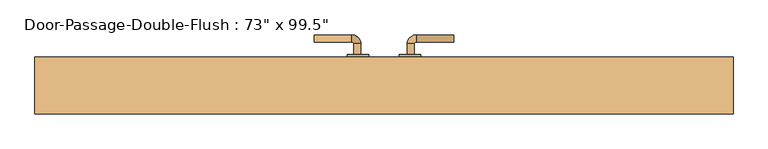
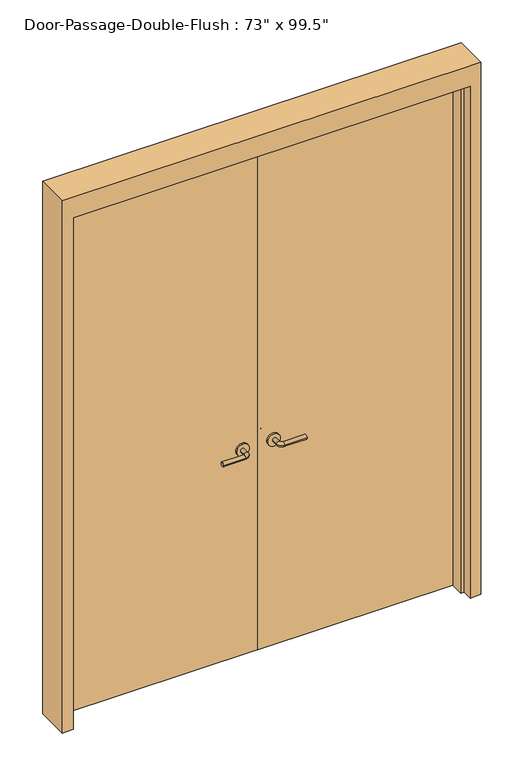
"""IFC4 building model written with IfcOpenShell, lengths in millimetres: door geometry."""

from ifc_helpers import new_model, si_unit, point, frame, frame_2d, origin, origin_with_axes, place, context, project, spatial, polyline, circle_curve, ellipse_curve, trimmed, segment, composite_curve, outline, extrude, faceted_brep, source, transform, mapped, element, save
from ifc_brep_helpers import plane_surface, cylinder_surface, revolved_surface, advanced_brep


def door_142c67b7(model_context):
    return source(origin(), model_context, "Body", "SolidModel", [
        advanced_brep(
        [(-65.009375, -77.85, 1016.0), (-85.009375, -77.85, 1016.0), (-65.009375, -107.85, 1016.0), (-85.009375, -107.85, 1016.0), (-90.009375, -112.85, 1016.0), (-90.009375, -132.85, 1016.0), (-195.009375, -132.85, 1016.0), (-195.009375, -112.85, 1016.0)],
        [
            (0, 1, circle_curve(frame((-75.009375, -77.85, 1016.0), z_axis=(0.0, 1.0, 0.0), x_axis=(-1.0, 0.0, 0.0)), 10.0)),
            (1, 0, circle_curve(frame((-75.009375, -77.85, 1016.0), z_axis=(0.0, 1.0, 0.0), x_axis=(-1.0, 0.0, 0.0)), 10.0)),
            (0, 2),
            (2, 3, circle_curve(frame((-75.009375, -107.85, 1016.0), z_axis=(0.0, 1.0, 0.0), x_axis=(-1.0, 0.0, 0.0)), 10.0)),
            (3, 1),
            (3, 2, circle_curve(frame((-75.009375, -107.85, 1016.0), z_axis=(0.0, 1.0, 0.0), x_axis=(-1.0, 0.0, 0.0)), 10.0)),
            (4, 3, circle_curve(frame((-90.009375, -107.85, 1016.0), z_axis=(0.0, 0.0, 1.0), x_axis=(1.0, 0.0, 0.0)), 5.0)),
            (2, 5, circle_curve(frame((-90.009375, -107.85, 1016.0), z_axis=(0.0, 0.0, -1.0), x_axis=(1.0, 0.0, 0.0)), 25.0)),
            (5, 4, circle_curve(frame((-90.009375, -122.85, 1016.0), z_axis=(1.0, 0.0, 0.0), x_axis=(0.0, 1.0, 0.0)), 10.0)),
            (4, 5, circle_curve(frame((-90.009375, -122.85, 1016.0), z_axis=(1.0, 0.0, 0.0), x_axis=(0.0, 1.0, 0.0)), 10.0)),
            (6, 7, circle_curve(frame((-195.009375, -122.85, 1016.0), z_axis=(-1.0, 0.0, 0.0), x_axis=(0.0, 1.0, 0.0)), 10.0)),
            (7, 6, circle_curve(frame((-195.009375, -122.85, 1016.0), z_axis=(-1.0, 0.0, 0.0), x_axis=(0.0, 1.0, 0.0)), 10.0)),
            (5, 6),
            (7, 4),
        ],
        [
            plane_surface(frame((-75.009375, -77.85, 1016.0), z_axis=(0.0, 1.0, 0.0), x_axis=(0.0, 0.0, 1.0))),
            cylinder_surface(frame((-75.009375, -77.85, 1016.0), z_axis=(0.0, 1.0, 0.0), x_axis=(-1.0, 0.0, 0.0)), 10.0),
            revolved_surface(trimmed(ellipse_curve(frame((-75.009375, -107.85, 1016.0), z_axis=(0.0, 1.0, 0.0), x_axis=(-1.0, 0.0, 0.0)), 10.0, 10.0), [point((-65.009375, -107.85, 1016.0))], [point((-85.009375, -107.85, 1016.0))], True, "CARTESIAN"), (-90.009375, -107.85, 1016.0), (0.0, 0.0, -1.0)),
            revolved_surface(trimmed(ellipse_curve(frame((-75.009375, -107.85, 1016.0), z_axis=(0.0, 1.0, 0.0), x_axis=(-1.0, 0.0, 0.0)), 10.0, 10.0), [point((-85.009375, -107.85, 1016.0))], [point((-65.009375, -107.85, 1016.0))], True, "CARTESIAN"), (-90.009375, -107.85, 1016.0), (0.0, 0.0, -1.0)),
            plane_surface(frame((-195.009375, -122.85, 1016.0), z_axis=(-1.0, 0.0, 0.0), x_axis=(0.0, 0.0, 1.0))),
            cylinder_surface(frame((-90.009375, -122.85, 1016.0), z_axis=(1.0, 0.0, 0.0), x_axis=(0.0, 1.0, 0.0)), 10.0),
        ],
        [
            (0, [[1, 2]]),
            (1, [[-1, 3, 4, 5]]),
            (1, [[-2, -5, 6, -3]]),
            (2, [[7, -4, 8, 9]]),
            (3, [[-8, -6, -7, 10]]),
            (4, [[11, 12]]),
            (5, [[-9, 13, -12, 14]]),
            (5, [[-10, -14, -11, -13]]),
        ],
    ),
        extrude(outline(composite_curve([segment(trimmed(circle_curve(frame_2d((1016.0, -72.509375)), 30.0), [point((1016.0, -42.509375))], [point((1016.0, -102.509375))], False, "CARTESIAN"), True, "CONTINUOUS"), segment(trimmed(circle_curve(frame_2d((1016.0, -72.509375)), 30.0), [point((1016.0, -102.509375))], [point((1016.0, -42.509375))], False, "CARTESIAN"), True, "CONTINUOUS")], self_intersect=False)), frame((0.0, -77.85, 0.0), z_axis=(0.0, 1.0, 0.0), x_axis=(0.0, 0.0, 1.0)), (0.0, 0.0, 1.0), 8.0),
        advanced_brep(
        [(-65.009375, -17.4, 1016.0), (-85.009375, -17.4, 1016.0), (-85.009375, 12.6, 1016.0), (-65.009375, 12.6, 1016.0), (-90.009375, 17.6, 1016.0), (-90.009375, 37.6, 1016.0), (-195.009375, 37.6, 1016.0), (-195.009375, 17.6, 1016.0)],
        [
            (0, 1, circle_curve(frame((-75.009375, -17.4, 1016.0), z_axis=(0.0, -1.0, 0.0), x_axis=(-1.0, 0.0, 0.0)), 10.0)),
            (1, 0, circle_curve(frame((-75.009375, -17.4, 1016.0), z_axis=(0.0, -1.0, 0.0), x_axis=(-1.0, 0.0, 0.0)), 10.0)),
            (1, 2),
            (2, 3, circle_curve(frame((-75.009375, 12.6, 1016.0), z_axis=(0.0, -1.0, 0.0), x_axis=(-1.0, 0.0, 0.0)), 10.0)),
            (3, 0),
            (3, 2, circle_curve(frame((-75.009375, 12.6, 1016.0), z_axis=(0.0, -1.0, 0.0), x_axis=(-1.0, 0.0, 0.0)), 10.0)),
            (4, 5, circle_curve(frame((-90.009375, 27.6, 1016.0), z_axis=(1.0, 0.0, 0.0), x_axis=(0.0, -1.0, 0.0)), 10.0)),
            (5, 3, circle_curve(frame((-90.009375, 12.6, 1016.0), z_axis=(0.0, 0.0, -1.0), x_axis=(1.0, 0.0, 0.0)), 25.0)),
            (2, 4, circle_curve(frame((-90.009375, 12.6, 1016.0), z_axis=(0.0, 0.0, 1.0), x_axis=(1.0, 0.0, 0.0)), 5.0)),
            (5, 4, circle_curve(frame((-90.009375, 27.6, 1016.0), z_axis=(1.0, 0.0, 0.0), x_axis=(0.0, -1.0, 0.0)), 10.0)),
            (6, 7, circle_curve(frame((-195.009375, 27.6, 1016.0), z_axis=(-1.0, 0.0, 0.0), x_axis=(0.0, -1.0, 0.0)), 10.0)),
            (7, 6, circle_curve(frame((-195.009375, 27.6, 1016.0), z_axis=(-1.0, 0.0, 0.0), x_axis=(0.0, -1.0, 0.0)), 10.0)),
            (4, 7),
            (6, 5),
        ],
        [
            plane_surface(frame((-75.009375, -17.4, 1016.0), z_axis=(0.0, -1.0, 0.0), x_axis=(0.0, 0.0, 1.0))),
            cylinder_surface(frame((-75.009375, -17.4, 1016.0), z_axis=(0.0, -1.0, 0.0), x_axis=(-1.0, 0.0, 0.0)), 10.0),
            revolved_surface(trimmed(ellipse_curve(frame((-75.009375, 12.6, 1016.0), z_axis=(0.0, 1.0, 0.0), x_axis=(-1.0, 0.0, 0.0)), 10.0, 10.0), [point((-65.009375, 12.6, 1016.0))], [point((-85.009375, 12.6, 1016.0))], True, "CARTESIAN"), (-90.009375, 12.6, 1016.0), (0.0, 0.0, -1.0)),
            revolved_surface(trimmed(ellipse_curve(frame((-75.009375, 12.6, 1016.0), z_axis=(0.0, 1.0, 0.0), x_axis=(-1.0, 0.0, 0.0)), 10.0, 10.0), [point((-85.009375, 12.6, 1016.0))], [point((-65.009375, 12.6, 1016.0))], True, "CARTESIAN"), (-90.009375, 12.6, 1016.0), (0.0, 0.0, -1.0)),
            plane_surface(frame((-195.009375, 27.6, 1016.0), z_axis=(-1.0, 0.0, 0.0), x_axis=(0.0, 0.0, 1.0))),
            cylinder_surface(frame((-90.009375, 27.6, 1016.0), z_axis=(1.0, 0.0, 0.0), x_axis=(0.0, -1.0, 0.0)), 10.0),
        ],
        [
            (0, [[1, 2]]),
            (1, [[3, 4, 5, -2]]),
            (1, [[-5, 6, -3, -1]]),
            (2, [[7, 8, -4, 9]]),
            (3, [[10, -9, -6, -8]]),
            (4, [[11, 12]]),
            (5, [[13, -11, 14, -7]]),
            (5, [[-14, -12, -13, -10]]),
        ],
    ),
        extrude(outline(composite_curve([segment(trimmed(circle_curve(frame_2d((1016.0, -72.509375)), 30.0), [point((1016.0, -42.509375))], [point((1016.0, -102.509375))], False, "CARTESIAN"), True, "CONTINUOUS"), segment(trimmed(circle_curve(frame_2d((1016.0, -72.509375)), 30.0), [point((1016.0, -102.509375))], [point((1016.0, -42.509375))], False, "CARTESIAN"), True, "CONTINUOUS")], self_intersect=False)), frame((0.0, -25.4, 0.0), z_axis=(0.0, 1.0, 0.0), x_axis=(0.0, 0.0, 1.0)), (0.0, 0.0, 1.0), 8.0),
        advanced_brep(
        [(65.009375, -77.85, 1016.0), (85.009375, -77.85, 1016.0), (85.009375, -107.85, 1016.0), (65.009375, -107.85, 1016.0), (90.009375, -112.85, 1016.0), (90.009375, -132.85, 1016.0), (195.009375, -132.85, 1016.0), (195.009375, -112.85, 1016.0)],
        [
            (0, 1, circle_curve(frame((75.009375, -77.85, 1016.0), z_axis=(0.0, 1.0, 0.0), x_axis=(1.0, 0.0, 0.0)), 10.0)),
            (1, 0, circle_curve(frame((75.009375, -77.85, 1016.0), z_axis=(0.0, 1.0, 0.0), x_axis=(1.0, 0.0, 0.0)), 10.0)),
            (1, 2),
            (2, 3, circle_curve(frame((75.009375, -107.85, 1016.0), z_axis=(0.0, 1.0, 0.0), x_axis=(1.0, 0.0, 0.0)), 10.0)),
            (3, 0),
            (3, 2, circle_curve(frame((75.009375, -107.85, 1016.0), z_axis=(0.0, 1.0, 0.0), x_axis=(1.0, 0.0, 0.0)), 10.0)),
            (4, 5, circle_curve(frame((90.009375, -122.85, 1016.0), z_axis=(-1.0, 0.0, 0.0), x_axis=(0.0, 1.0, 0.0)), 10.0)),
            (5, 3, circle_curve(frame((90.009375, -107.85, 1016.0), z_axis=(0.0, 0.0, -1.0), x_axis=(-1.0, 0.0, 0.0)), 25.0)),
            (2, 4, circle_curve(frame((90.009375, -107.85, 1016.0), z_axis=(0.0, 0.0, 1.0), x_axis=(-1.0, 0.0, 0.0)), 5.0)),
            (5, 4, circle_curve(frame((90.009375, -122.85, 1016.0), z_axis=(-1.0, 0.0, 0.0), x_axis=(0.0, 1.0, 0.0)), 10.0)),
            (6, 7, circle_curve(frame((195.009375, -122.85, 1016.0), z_axis=(1.0, 0.0, 0.0), x_axis=(0.0, 1.0, 0.0)), 10.0)),
            (7, 6, circle_curve(frame((195.009375, -122.85, 1016.0), z_axis=(1.0, 0.0, 0.0), x_axis=(0.0, 1.0, 0.0)), 10.0)),
            (4, 7),
            (6, 5),
        ],
        [
            plane_surface(frame((75.009375, -77.85, 1016.0), z_axis=(0.0, 1.0, 0.0), x_axis=(0.0, 0.0, 1.0))),
            cylinder_surface(frame((75.009375, -77.85, 1016.0), z_axis=(0.0, 1.0, 0.0), x_axis=(1.0, 0.0, 0.0)), 10.0),
            revolved_surface(trimmed(ellipse_curve(frame((75.009375, -107.85, 1016.0), z_axis=(0.0, -1.0, 0.0), x_axis=(1.0, 0.0, 0.0)), 10.0, 10.0), [point((65.009375, -107.85, 1016.0))], [point((85.009375, -107.85, 1016.0))], True, "CARTESIAN"), (90.009375, -107.85, 1016.0), (0.0, 0.0, -1.0)),
            revolved_surface(trimmed(ellipse_curve(frame((75.009375, -107.85, 1016.0), z_axis=(0.0, -1.0, 0.0), x_axis=(1.0, 0.0, 0.0)), 10.0, 10.0), [point((85.009375, -107.85, 1016.0))], [point((65.009375, -107.85, 1016.0))], True, "CARTESIAN"), (90.009375, -107.85, 1016.0), (0.0, 0.0, -1.0)),
            plane_surface(frame((195.009375, -122.85, 1016.0), z_axis=(1.0, 0.0, 0.0), x_axis=(0.0, 0.0, 1.0))),
            cylinder_surface(frame((90.009375, -122.85, 1016.0), z_axis=(-1.0, 0.0, 0.0), x_axis=(0.0, 1.0, 0.0)), 10.0),
        ],
        [
            (0, [[1, 2]]),
            (1, [[3, 4, 5, -2]]),
            (1, [[-5, 6, -3, -1]]),
            (2, [[7, 8, -4, 9]]),
            (3, [[10, -9, -6, -8]]),
            (4, [[11, 12]]),
            (5, [[13, -11, 14, -7]]),
            (5, [[-14, -12, -13, -10]]),
        ],
    ),
        extrude(outline(composite_curve([segment(trimmed(circle_curve(frame_2d((1016.0, 72.509375)), 30.0), [point((1016.0, 42.509375))], [point((1016.0, 102.509375))], False, "CARTESIAN"), True, "CONTINUOUS"), segment(trimmed(circle_curve(frame_2d((1016.0, 72.509375)), 30.0), [point((1016.0, 102.509375))], [point((1016.0, 42.509375))], False, "CARTESIAN"), True, "CONTINUOUS")], self_intersect=False)), frame((0.0, -77.85, 0.0), z_axis=(0.0, 1.0, 0.0), x_axis=(0.0, 0.0, 1.0)), (0.0, 0.0, 1.0), 8.0),
        advanced_brep(
        [(65.009375, -17.4, 1016.0), (85.009375, -17.4, 1016.0), (65.009375, 12.6, 1016.0), (85.009375, 12.6, 1016.0), (90.009375, 17.6, 1016.0), (90.009375, 37.6, 1016.0), (195.009375, 37.6, 1016.0), (195.009375, 17.6, 1016.0)],
        [
            (0, 1, circle_curve(frame((75.009375, -17.4, 1016.0), z_axis=(0.0, -1.0, 0.0), x_axis=(1.0, 0.0, 0.0)), 10.0)),
            (1, 0, circle_curve(frame((75.009375, -17.4, 1016.0), z_axis=(0.0, -1.0, 0.0), x_axis=(1.0, 0.0, 0.0)), 10.0)),
            (0, 2),
            (2, 3, circle_curve(frame((75.009375, 12.6, 1016.0), z_axis=(0.0, -1.0, 0.0), x_axis=(1.0, 0.0, 0.0)), 10.0)),
            (3, 1),
            (3, 2, circle_curve(frame((75.009375, 12.6, 1016.0), z_axis=(0.0, -1.0, 0.0), x_axis=(1.0, 0.0, 0.0)), 10.0)),
            (4, 3, circle_curve(frame((90.009375, 12.6, 1016.0), z_axis=(0.0, 0.0, 1.0), x_axis=(-1.0, 0.0, 0.0)), 5.0)),
            (2, 5, circle_curve(frame((90.009375, 12.6, 1016.0), z_axis=(0.0, 0.0, -1.0), x_axis=(-1.0, 0.0, 0.0)), 25.0)),
            (5, 4, circle_curve(frame((90.009375, 27.6, 1016.0), z_axis=(-1.0, 0.0, 0.0), x_axis=(0.0, -1.0, 0.0)), 10.0)),
            (4, 5, circle_curve(frame((90.009375, 27.6, 1016.0), z_axis=(-1.0, 0.0, 0.0), x_axis=(0.0, -1.0, 0.0)), 10.0)),
            (6, 7, circle_curve(frame((195.009375, 27.6, 1016.0), z_axis=(1.0, 0.0, 0.0), x_axis=(0.0, -1.0, 0.0)), 10.0)),
            (7, 6, circle_curve(frame((195.009375, 27.6, 1016.0), z_axis=(1.0, 0.0, 0.0), x_axis=(0.0, -1.0, 0.0)), 10.0)),
            (5, 6),
            (7, 4),
        ],
        [
            plane_surface(frame((75.009375, -17.4, 1016.0), z_axis=(0.0, -1.0, 0.0), x_axis=(0.0, 0.0, 1.0))),
            cylinder_surface(frame((75.009375, -17.4, 1016.0), z_axis=(0.0, -1.0, 0.0), x_axis=(1.0, 0.0, 0.0)), 10.0),
            revolved_surface(trimmed(ellipse_curve(frame((75.009375, 12.6, 1016.0), z_axis=(0.0, -1.0, 0.0), x_axis=(1.0, 0.0, 0.0)), 10.0, 10.0), [point((65.009375, 12.6, 1016.0))], [point((85.009375, 12.6, 1016.0))], True, "CARTESIAN"), (90.009375, 12.6, 1016.0), (0.0, 0.0, -1.0)),
            revolved_surface(trimmed(ellipse_curve(frame((75.009375, 12.6, 1016.0), z_axis=(0.0, -1.0, 0.0), x_axis=(1.0, 0.0, 0.0)), 10.0, 10.0), [point((85.009375, 12.6, 1016.0))], [point((65.009375, 12.6, 1016.0))], True, "CARTESIAN"), (90.009375, 12.6, 1016.0), (0.0, 0.0, -1.0)),
            plane_surface(frame((195.009375, 27.6, 1016.0), z_axis=(1.0, 0.0, 0.0), x_axis=(0.0, 0.0, 1.0))),
            cylinder_surface(frame((90.009375, 27.6, 1016.0), z_axis=(-1.0, 0.0, 0.0), x_axis=(0.0, -1.0, 0.0)), 10.0),
        ],
        [
            (0, [[1, 2]]),
            (1, [[-1, 3, 4, 5]]),
            (1, [[-2, -5, 6, -3]]),
            (2, [[7, -4, 8, 9]]),
            (3, [[-8, -6, -7, 10]]),
            (4, [[11, 12]]),
            (5, [[-9, 13, -12, 14]]),
            (5, [[-10, -14, -11, -13]]),
        ],
    ),
        extrude(outline(composite_curve([segment(trimmed(circle_curve(frame_2d((1016.0, 72.509375)), 30.0), [point((1016.0, 42.509375))], [point((1016.0, 102.509375))], False, "CARTESIAN"), True, "CONTINUOUS"), segment(trimmed(circle_curve(frame_2d((1016.0, 72.509375)), 30.0), [point((1016.0, 102.509375))], [point((1016.0, 42.509375))], False, "CARTESIAN"), True, "CONTINUOUS")], self_intersect=False)), frame((0.0, -25.4, 0.0), z_axis=(0.0, 1.0, 0.0), x_axis=(0.0, 0.0, 1.0)), (0.0, 0.0, 1.0), 8.0),
        faceted_brep([(927.1, -74.6125, 0.0), (927.1, -25.4, 0.0), (977.9, -25.4, 0.0), (977.9, -184.15, 0.0), (927.1, -184.15, 0.0), (927.1, -134.9375, 0.0), (911.225, -134.9375, 0.0), (911.225, -74.6125, 0.0), (927.1, -74.6125, 2527.3), (927.1, -25.4, 2527.3), (-927.1, -25.4, 2527.3), (-927.1, -25.4, 0.0), (-977.9, -25.4, 0.0), (-977.9, -25.4, 2628.9), (977.9, -25.4, 2628.9), (977.9, -184.15, 2628.9), (-977.9, -184.15, 2628.9), (-977.9, -184.15, 0.0), (-927.1, -184.15, 0.0), (-927.1, -184.15, 2527.3), (927.1, -184.15, 2527.3), (927.1, -134.9375, 2527.3), (-927.1, -134.9375, 2527.3), (-927.1, -134.9375, 0.0), (-911.225, -134.9375, 0.0), (-911.225, -134.9375, 2511.425), (911.225, -134.9375, 2511.425), (911.225, -74.6125, 2511.425), (-911.225, -74.6125, 2511.425), (-911.225, -74.6125, 0.0), (-927.1, -74.6125, 0.0), (-927.1, -74.6125, 2527.3)], [[[0, 1, 2, 3, 4, 5, 6, 7]], [[1, 0, 8, 9]], [[2, 1, 9, 10, 11, 12, 13, 14]], [[3, 2, 14, 15]], [[4, 3, 15, 16, 17, 18, 19, 20]], [[5, 4, 20, 21]], [[6, 5, 21, 22, 23, 24, 25, 26]], [[7, 6, 26, 27]], [[0, 7, 27, 28, 29, 30, 31, 8]], [[9, 8, 31, 10]], [[20, 19, 22, 21]], [[26, 25, 28, 27]], [[12, 11, 30, 29, 24, 23, 18, 17]], [[11, 10, 31, 30]], [[13, 12, 17, 16]], [[19, 18, 23, 22]], [[25, 24, 29, 28]], [[15, 14, 13, 16]]]),
        extrude(outline(polyline([(927.1, -69.85), (1.5875, -69.85), (1.5875, -25.4), (927.1, -25.4), (927.1, -69.85)])), origin_with_axes(), (0.0, 0.0, 1.0), 2527.3),
        extrude(outline(polyline([(-1.5875, -69.85), (-927.1, -69.85), (-927.1, -25.4), (-1.5875, -25.4), (-1.5875, -69.85)])), origin_with_axes(), (0.0, 0.0, 1.0), 2527.3),
    ])


if __name__ == "__main__":
    model = new_model("IFC4")
    model_context = context("Model", 3, world=origin())
    ifc_project = project(units=[si_unit("LENGTHUNIT", "METRE", prefix="MILLI")], contexts=[model_context])
    site = spatial("IfcSite", under=ifc_project)
    building = spatial("IfcBuilding", under=site)
    placement = place(None, origin())
    door_shape = door_142c67b7(model_context)
    element("IfcDoor", 1, ObjectType="Door-Passage-Double-Flush : 73\" x 99.5\"", at=placement, inside=building, context=model_context, shape_type="MappedRepresentation", body=[
        mapped(door_shape, transform((0.0, 0.0, 0.0), x_axis=(1.0, 0.0, 0.0), y_axis=(0.0, 1.0, 0.0), z_axis=(0.0, 0.0, 1.0))),
    ])
    save(model, "model.ifc")
